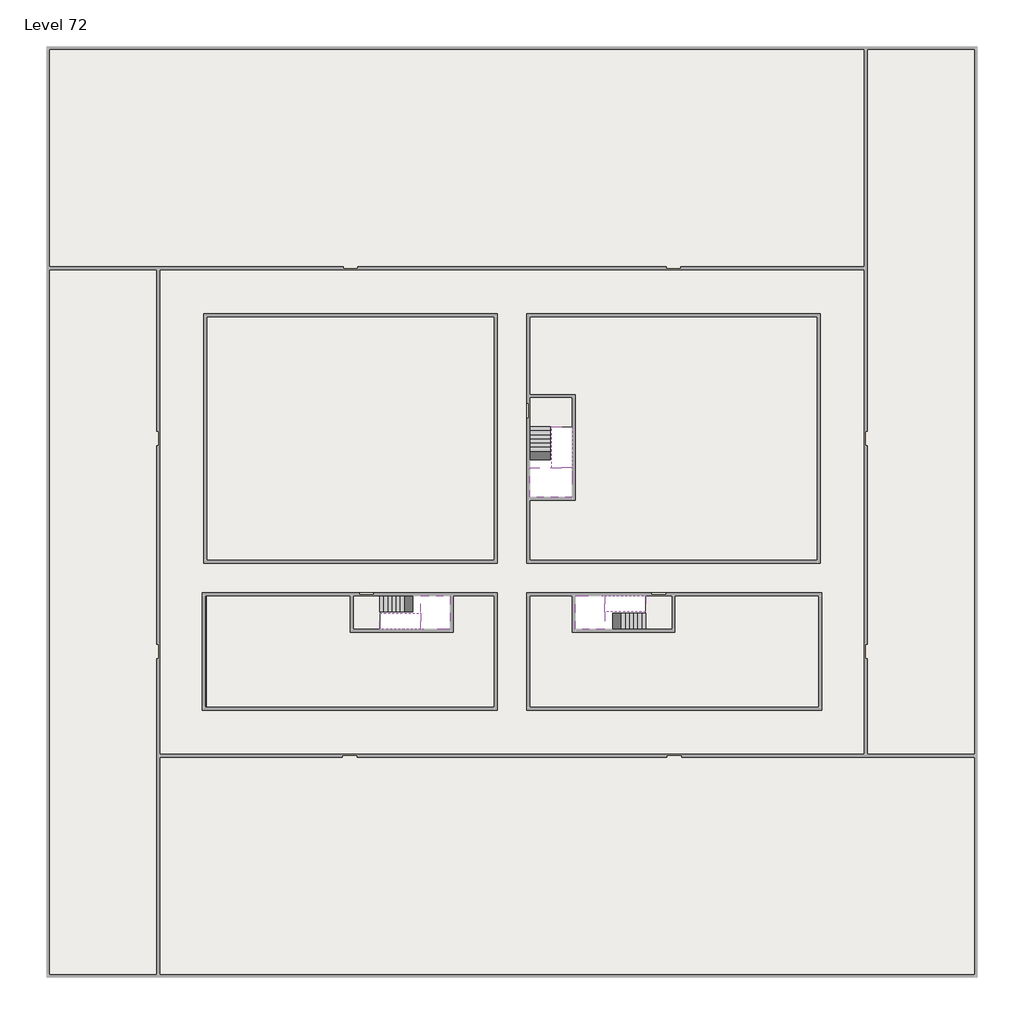
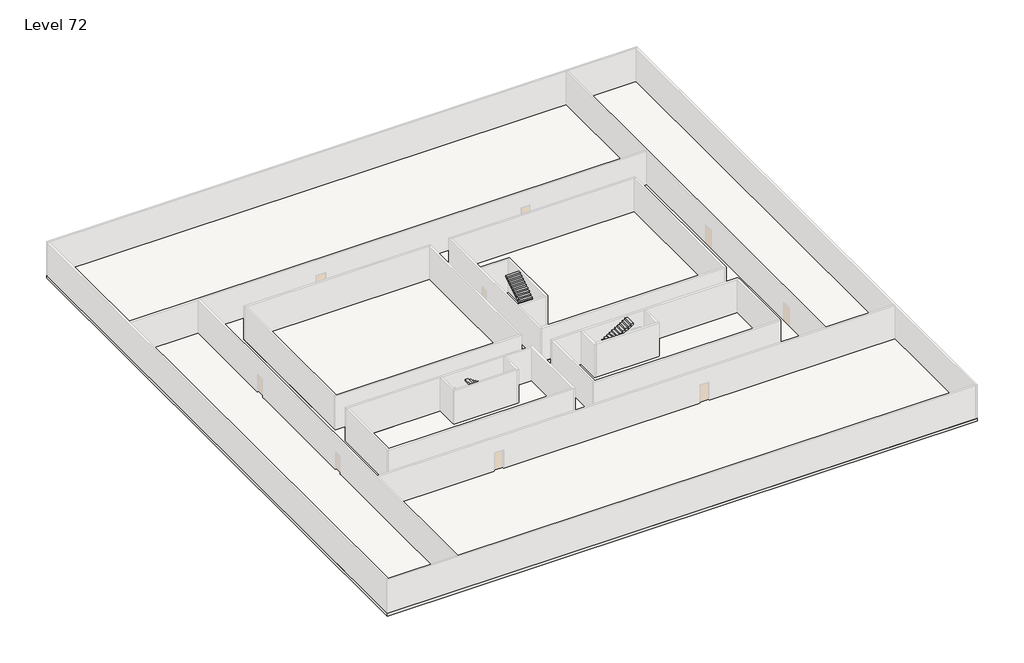
# One storey, part 2 of 2: 6 slabs, 6 stair flights.
"""IFC4 building model written with IfcOpenShell, lengths in millimetres."""

import ifcopenshell
import ifcopenshell.guid

model = None  # the IFC model being written
_history = None  # IfcOwnerHistory: only IFC2X3 demands one
_inside = {}  # id of a spatial element -> (the spatial element, [elements in it])
_under = {}  # id of a project, library or spatial element -> (it, [spatial elements below it])
_declared = {}  # id of a project -> (the project, [libraries it declares])
_typed = {}  # id of a type object -> (the type object, [elements of that type])
_made_of = {}  # id of a material, layer set ... -> (it, [elements and type objects made of it])


def new_model(schema):
    """Start an empty IFC model of exactly this schema.

    Asked for "IFC4X3", IfcOpenShell would pick the latest addendum, in which some entities
    have other attributes; the version numbers below select the first issue.
    IFC2X3 requires an IfcOwnerHistory on every rooted entity: one is made here for all.
    """
    global model, _history
    if schema == "IFC4X3":
        model = ifcopenshell.file(schema_version=(4, 3, 0, 0))
    else:
        model = ifcopenshell.file(schema=schema)
    _inside.clear()
    _under.clear()
    _declared.clear()
    _typed.clear()
    _made_of.clear()
    _history = None
    if model.schema == "IFC2X3":
        org = make("IfcOrganization", Name="unknown")
        user = make(
            "IfcPersonAndOrganization",
            ThePerson=make("IfcPerson", FamilyName="unknown"),
            TheOrganization=org,
        )
        app = make(
            "IfcApplication",
            ApplicationDeveloper=org,
            Version="unknown",
            ApplicationFullName="unknown",
            ApplicationIdentifier="unknown",
        )
        _history = make(
            "IfcOwnerHistory",
            OwningUser=user,
            OwningApplication=app,
            ChangeAction="ADDED",
            CreationDate=0,
        )
    return model


def make(cls, **values):
    """One entity of the class cls with the attributes given. An attribute that is None is left unset."""
    return model.create_entity(
        cls, **{name: value for name, value in values.items() if value is not None}
    )


def rooted(cls, **values):
    """An entity with a GlobalId (a new one), such as an element, a storey or a relation."""
    return make(cls, GlobalId=ifcopenshell.guid.new(), OwnerHistory=_history, **values)


def si_unit(unit_type, name, prefix=None):
    """IfcSIUnit, for example si_unit("LENGTHUNIT", "METRE", prefix="MILLI")."""
    return make("IfcSIUnit", UnitType=unit_type, Prefix=prefix, Name=name)


def assignment(units):
    """IfcUnitAssignment: the units of a project."""
    return None if units is None else make("IfcUnitAssignment", Units=units)


def point(xyz):
    """IfcCartesianPoint."""
    return None if xyz is None else make("IfcCartesianPoint", Coordinates=xyz)


def direction(xyz):
    """IfcDirection."""
    return None if xyz is None else make("IfcDirection", DirectionRatios=xyz)


def frame(location, z_axis=None, x_axis=None):
    """IfcAxis2Placement3D, a coordinate frame: its origin and axes. An axis left out is left unset."""
    return make(
        "IfcAxis2Placement3D",
        Location=point(location),
        Axis=direction(z_axis),
        RefDirection=direction(x_axis),
    )


def origin():
    """The frame at (0, 0, 0) with its axes left unset."""
    return frame((0.0, 0.0, 0.0))


def place(relative_to, where):
    """IfcLocalPlacement: puts the frame where relative to a parent placement (None: the world)."""
    return make(
        "IfcLocalPlacement", PlacementRelTo=relative_to, RelativePlacement=where
    )


def context(
    kind, dimensions, precision=None, world=None, true_north=None, identifier=None
):
    """IfcGeometricRepresentationContext, for example the 3D "Model" context."""
    return make(
        "IfcGeometricRepresentationContext",
        ContextIdentifier=identifier,
        ContextType=kind,
        CoordinateSpaceDimension=dimensions,
        Precision=precision,
        WorldCoordinateSystem=world,
        TrueNorth=true_north,
    )


def project(units=None, contexts=None):
    """IfcProject with its units and contexts."""
    return rooted(
        "IfcProject",
        Name="project",
        RepresentationContexts=contexts,
        UnitsInContext=assignment(units),
    )


def spatial(cls, under=None, at=None, **own):
    """A site, building, storey or space (cls), placed at a placement, below another one or the project."""
    s = rooted(cls, ObjectPlacement=at, **own)
    if under is not None:
        _under.setdefault(under.id(), (under, []))[1].append(s)
    return s


def polyline(points):
    """IfcPolyline through the points."""
    return make("IfcPolyline", Points=[point(p) for p in points])


def outline(outer, holes=None, kind="AREA"):
    """IfcArbitraryClosedProfileDef: a profile drawn as a closed curve; with holes, ...WithVoids."""
    if holes is None:
        return make("IfcArbitraryClosedProfileDef", ProfileType=kind, OuterCurve=outer)
    return make(
        "IfcArbitraryProfileDefWithVoids",
        ProfileType=kind,
        OuterCurve=outer,
        InnerCurves=holes,
    )


def extrude(swept, where, along, depth):
    """IfcExtrudedAreaSolid: the profile swept, set in the frame where, extruded along a direction by depth."""
    return make(
        "IfcExtrudedAreaSolid",
        SweptArea=swept,
        Position=where,
        ExtrudedDirection=direction(along),
        Depth=depth,
    )


def faces_of(points, faces, orient=None, outer=None):
    """IfcFace entities. A face is a list of loops; a loop is a list of indices into points, from 0.

    orient and outer hold one flag for each loop. By default every Orientation is true, the
    first loop of a face is its IfcFaceOuterBound and the others are IfcFaceBound.
    """
    made = []
    for i, loops in enumerate(faces):
        bounds = []
        for j, loop in enumerate(loops):
            is_outer = j == 0 if outer is None else outer[i][j]
            bounds.append(
                make(
                    "IfcFaceOuterBound" if is_outer else "IfcFaceBound",
                    Bound=make("IfcPolyLoop", Polygon=[points[k] for k in loop]),
                    Orientation=True if orient is None else orient[i][j],
                )
            )
        made.append(make("IfcFace", Bounds=bounds))
    return made


def faceted_brep(points, faces, orient=None, outer=None, voids=None):
    """IfcFacetedBrep: a solid bounded by flat faces; with voids (closed shells), ...WithVoids."""
    shared = [point(p) for p in points]
    hull = make("IfcClosedShell", CfsFaces=faces_of(shared, faces, orient, outer))
    if voids is None:
        return make("IfcFacetedBrep", Outer=hull)
    return make(
        "IfcFacetedBrepWithVoids",
        Outer=hull,
        Voids=[
            make(cls, CfsFaces=faces_of(shared, fs, o, b)) for cls, fs, o, b in voids
        ],
    )


def shape(context_of_items, identifier, shape_type, items):
    """IfcShapeRepresentation: the items that make up one representation, for example the "Body"."""
    return make(
        "IfcShapeRepresentation",
        ContextOfItems=context_of_items,
        RepresentationIdentifier=identifier,
        RepresentationType=shape_type,
        Items=items,
    )


def made_of(thing, what):
    """Note that an element or type object is made of a material, layer set ...; save() writes the relation."""
    if what is not None:
        _made_of.setdefault(what.id(), (what, []))[1].append(thing)
    return thing


def element(
    cls,
    number,
    at=None,
    inside=None,
    cuts=None,
    type_object=None,
    material=None,
    context=None,
    identifier="Body",
    shape_type=None,
    held_by="IfcProductDefinitionShape",
    body=None,
    shapes=None,
    **own,
):
    """One element of the class cls, such as IfcWall. Its Tag is "e" and its number.

    at: its placement. inside: the storey or other place that contains it. cuts: it is an
    opening in that element (IfcRelVoidsElement). A single representation is given by context,
    identifier, shape_type and body (its items); several are given by shapes. held_by: the class
    of the entity that holds the representations. save() writes the other relations.
    """
    e = rooted(cls, Tag="e%d" % number, ObjectPlacement=at, **own)
    if body is not None:
        shapes = [shape(context, identifier, shape_type, body)]
    if shapes is not None:
        e.Representation = make(held_by, Representations=shapes)
    if inside is not None:
        _inside.setdefault(inside.id(), (inside, []))[1].append(e)
    if cuts is not None:
        rooted(
            "IfcRelVoidsElement", RelatingBuildingElement=cuts, RelatedOpeningElement=e
        )
    if type_object is not None:
        _typed.setdefault(type_object.id(), (type_object, []))[1].append(e)
    return made_of(e, material)


def aggregate(whole, parts):
    """IfcRelAggregates: a whole, such as a stair, and the parts it consists of."""
    return rooted("IfcRelAggregates", RelatingObject=whole, RelatedObjects=parts)


def save(model, path):
    """Write the relations noted so far, then the file.

    IfcRelAggregates (storeys below a building ...), IfcRelContainedInSpatialStructure (elements
    in a storey), IfcRelDefinesByType, IfcRelAssociatesMaterial and IfcRelDeclares: one each for
    every whole, place, type object, material and project.
    """
    for whole, parts in _under.values():
        aggregate(whole, parts)
    for where, things in _inside.values():
        rooted(
            "IfcRelContainedInSpatialStructure",
            RelatedElements=things,
            RelatingStructure=where,
        )
    for kind, things in _typed.values():
        rooted("IfcRelDefinesByType", RelatedObjects=things, RelatingType=kind)
    for what, things in _made_of.values():
        rooted("IfcRelAssociatesMaterial", RelatedObjects=things, RelatingMaterial=what)
    for by, libraries in _declared.values():
        rooted("IfcRelDeclares", RelatingContext=by, RelatedDefinitions=libraries)
    model.write(path)


model = new_model("IFC4")

# Units and contexts
model_context = context("Model", 3, world=origin())
ifc_project = project(units=[si_unit("LENGTHUNIT", "METRE", prefix="MILLI")], contexts=[model_context])

# Site, building, storey
site = spatial("IfcSite", under=ifc_project)
building = spatial("IfcBuilding", under=site)
storey = spatial("IfcBuildingStorey", under=building, Name="Level 72", Elevation=269800.0)

# Slabs
placement = place(None, origin())
element("IfcSlab", 1, at=placement, inside=storey, context=model_context, shape_type="SweptSolid", body=[
    extrude(outline(polyline([(55890.1058784, -5518.09644), (55890.1058784, -68918.09644), (-7509.8941216, -68918.09644), (-7509.8941216, -5518.09644), (55890.1058784, -5518.09644)]), holes=[polyline([(23190.1058784, -23718.09644), (3190.1058784, -23718.09644), (3190.1058784, -40718.09644), (23190.1058784, -40718.09644), (23190.1058784, -23718.09644)]), polyline([(45190.1058784, -23718.09644), (25190.1058784, -23718.09644), (25190.1058784, -40718.09644), (45190.1058784, -40718.09644), (45190.1058784, -23718.09644)]), polyline([(23190.1058784, -50718.09644), (23190.1058784, -42718.09644), (3390.1058784, -42718.09644), (3390.1058784, -50718.09644), (23190.1058784, -50718.09644)]), polyline([(25190.1058784, -50718.09644), (45190.1058784, -50718.09644), (45190.1058784, -42718.09644), (25190.1058784, -42718.09644), (25190.1058784, -50718.09644)])]), frame((0.0, 0.0, 269500.0), z_axis=(0.0, 0.0, 1.0), x_axis=(1.0, 0.0, 0.0)), (0.0, 0.0, 1.0), 300.0),
])
element("IfcSlab", 2, at=placement, inside=storey, context=model_context, shape_type="Brep", body=[
    faceted_brep([(26790.1058784, -34218.09644, 271700.0), (25390.1058784, -34218.09644, 271700.0), (25390.1058784, -34297.4828763, 271700.0), (25390.1058784, -36218.09644, 271700.0), (28290.1058784, -36218.09644, 271700.0), (28290.1058784, -34418.7100038, 271700.0), (28290.1058784, -34218.09644, 271700.0), (26890.1058784, -34218.09644, 271700.0), (26790.1058784, -34218.09644, 271400.0), (26790.1058784, -34218.09644, 271351.0278478), (25390.1058784, -34218.09644, 271351.0278478), (25390.1058784, -34218.09644, 271527.2727273), (25390.1058784, -34297.4828763, 271400.0), (25390.1058784, -36218.09644, 271400.0), (28290.1058784, -36218.09644, 271400.0), (28290.1058784, -34418.7100038, 271400.0), (28290.1058784, -34218.09644, 271523.7551205), (26890.1058784, -34218.09644, 271523.7551205), (26890.1058784, -34218.09644, 271400.0), (26890.1058784, -34418.7100038, 271400.0), (26790.1058784, -34297.4828763, 271400.0)], [[[0, 1, 2, 3, 4, 5, 6, 7]], [[1, 0, 8, 9, 10, 11]], [[1, 11, 10, 12, 13, 3, 2]], [[4, 3, 13, 14]], [[4, 14, 15, 16, 6, 5]], [[7, 6, 16, 17]], [[0, 7, 17, 18, 8]], [[18, 19, 15, 14, 13, 12, 20, 8]], [[19, 18, 17]], [[20, 12, 10, 9]], [[8, 20, 9]], [[15, 19, 17, 16]]]),
])
element("IfcSlab", 3, at=placement, inside=storey, context=model_context, shape_type="SweptSolid", body=[
    extrude(outline(polyline([(22990.1058784, -23918.09644), (22990.1058784, -40518.09644), (3390.1058784, -40518.09644), (3390.1058784, -23918.09644), (22990.1058784, -23918.09644)])), frame((0.0, 0.0, 269500.0), z_axis=(0.0, 0.0, 1.0), x_axis=(1.0, 0.0, 0.0)), (0.0, 0.0, 1.0), 300.0),
    extrude(outline(polyline([(44990.1058784, -23918.09644), (44990.1058784, -40518.09644), (25390.1058784, -40518.09644), (25390.1058784, -36418.09644), (28490.1058784, -36418.09644), (28490.1058784, -29218.09644), (25390.1058784, -29218.09644), (25390.1058784, -23918.09644), (44990.1058784, -23918.09644)])), frame((0.0, 0.0, 269500.0), z_axis=(0.0, 0.0, 1.0), x_axis=(1.0, 0.0, 0.0)), (0.0, 0.0, 1.0), 300.0),
    extrude(outline(polyline([(22990.1058784, -42918.09644), (22990.1058784, -50518.09644), (3390.1058784, -50518.09644), (3390.1058784, -42918.09644), (13190.1058784, -42918.09644), (13190.1058784, -45418.09644), (20190.1058784, -45418.09644), (20190.1058784, -42918.09644), (22990.1058784, -42918.09644)])), frame((0.0, 0.0, 269500.0), z_axis=(0.0, 0.0, 1.0), x_axis=(1.0, 0.0, 0.0)), (0.0, 0.0, 1.0), 300.0),
    extrude(outline(polyline([(28290.1058784, -42918.09644), (28290.1058784, -45418.09644), (35290.1058784, -45418.09644), (35290.1058784, -42918.09644), (45090.1058784, -42918.09644), (45090.1058784, -50518.09644), (25390.1058784, -50518.09644), (25390.1058784, -42918.09644), (28290.1058784, -42918.09644)])), frame((0.0, 0.0, 269500.0), z_axis=(0.0, 0.0, 1.0), x_axis=(1.0, 0.0, 0.0)), (0.0, 0.0, 1.0), 300.0),
])
element("IfcSlab", 4, at=placement, inside=storey, context=model_context, shape_type="Brep", body=[
    faceted_brep([(30490.1058784, -45218.09644, 271700.0), (30490.1058784, -44118.09644, 271700.0), (30490.1058784, -44018.09644, 271700.0), (30490.1058784, -42918.09644, 271700.0), (30289.4923146, -42918.09644, 271700.0), (28490.1058784, -42918.09644, 271700.0), (28490.1058784, -45218.09644, 271700.0), (30410.7194421, -45218.09644, 271700.0), (30490.1058784, -45218.09644, 271527.2727273), (30490.1058784, -45218.09644, 271351.0278478), (30490.1058784, -44118.09644, 271351.0278478), (30490.1058784, -44118.09644, 271400.0), (30490.1058784, -44018.09644, 271400.0), (30490.1058784, -44018.09644, 271523.7551205), (30490.1058784, -42918.09644, 271523.7551205), (30289.4923146, -42918.09644, 271400.0), (28490.1058784, -42918.09644, 271400.0), (28490.1058784, -45218.09644, 271400.0), (30410.7194421, -45218.09644, 271400.0), (30289.4923146, -44018.09644, 271400.0), (30410.7194421, -44118.09644, 271400.0)], [[[0, 1, 2, 3, 4, 5, 6, 7]], [[1, 0, 8, 9, 10, 11]], [[2, 1, 11, 12, 13]], [[3, 2, 13, 14]], [[3, 14, 15, 16, 5, 4]], [[6, 5, 16, 17]], [[9, 8, 0, 7, 6, 17, 18]], [[19, 12, 11, 20, 18, 17, 16, 15]], [[12, 19, 13]], [[18, 20, 10, 9]], [[20, 11, 10]], [[19, 15, 14, 13]]]),
])
element("IfcSlab", 5, at=placement, inside=storey, context=model_context, shape_type="Brep", body=[
    faceted_brep([(17990.1058784, -42918.09644, 271700.0), (17990.1058784, -44018.09644, 271700.0), (17990.1058784, -44118.09644, 271700.0), (17990.1058784, -45218.09644, 271700.0), (18190.7194421, -45218.09644, 271700.0), (19990.1058784, -45218.09644, 271700.0), (19990.1058784, -42918.09644, 271700.0), (18069.4923146, -42918.09644, 271700.0), (17990.1058784, -42918.09644, 271527.2727273), (17990.1058784, -42918.09644, 271351.0278478), (17990.1058784, -44018.09644, 271351.0278478), (17990.1058784, -44018.09644, 271400.0), (17990.1058784, -44118.09644, 271400.0), (17990.1058784, -44118.09644, 271523.7551205), (17990.1058784, -45218.09644, 271523.7551205), (18190.7194421, -45218.09644, 271400.0), (19990.1058784, -45218.09644, 271400.0), (19990.1058784, -42918.09644, 271400.0), (18069.4923146, -42918.09644, 271400.0), (18190.7194421, -44118.09644, 271400.0), (18069.4923146, -44018.09644, 271400.0)], [[[0, 1, 2, 3, 4, 5, 6, 7]], [[1, 0, 8, 9, 10, 11]], [[2, 1, 11, 12, 13]], [[3, 2, 13, 14]], [[3, 14, 15, 16, 5, 4]], [[6, 5, 16, 17]], [[9, 8, 0, 7, 6, 17, 18]], [[19, 12, 11, 20, 18, 17, 16, 15]], [[12, 19, 13]], [[18, 20, 10, 9]], [[20, 11, 10]], [[19, 15, 14, 13]]]),
])
element("IfcSlab", 6, at=placement, inside=storey, context=model_context, shape_type="SweptSolid", body=[
    extrude(outline(polyline([(25190.1058784, -29418.09644), (28290.1058784, -29418.09644), (28290.1058784, -31418.09644), (25190.1058784, -31418.09644), (25190.1058784, -29418.09644)])), frame((0.0, 0.0, 269500.0), z_axis=(0.0, 0.0, 1.0), x_axis=(1.0, 0.0, 0.0)), (0.0, 0.0, 1.0), 300.0),
    extrude(outline(polyline([(15190.1058784, -45218.09644), (13390.1058784, -45218.09644), (13390.1058784, -42718.09644), (15190.1058784, -42718.09644), (15190.1058784, -45218.09644)])), frame((0.0, 0.0, 269500.0), z_axis=(0.0, 0.0, 1.0), x_axis=(1.0, 0.0, 0.0)), (0.0, 0.0, 1.0), 300.0),
    extrude(outline(polyline([(35090.1058784, -45218.09644), (33290.1058784, -45218.09644), (33290.1058784, -42718.09644), (35090.1058784, -42718.09644), (35090.1058784, -45218.09644)])), frame((0.0, 0.0, 269500.0), z_axis=(0.0, 0.0, 1.0), x_axis=(1.0, 0.0, 0.0)), (0.0, 0.0, 1.0), 300.0),
])

# Stair flights
element("IfcStairFlight", 7, at=placement, inside=storey, context=model_context, shape_type="Brep", body=[
    faceted_brep([(26790.1058784, -31698.09644, 269972.7272727), (26790.1058784, -31418.09644, 269972.7272727), (25390.1058784, -31418.09644, 269972.7272727), (25390.1058784, -31698.09644, 269972.7272727), (26790.1058784, -31698.09644, 269800.0), (26790.1058784, -31418.09644, 269800.0), (25390.1058784, -31418.09644, 269800.0), (25390.1058784, -31698.09644, 269800.0), (26790.1058784, -31978.09644, 270145.4545455), (26790.1058784, -31698.09644, 270145.4545455), (25390.1058784, -31698.09644, 270145.4545455), (25390.1058784, -31978.09644, 270145.4545455), (26790.1058784, -31978.09644, 269969.209666), (26790.1058784, -31703.7986657, 269800.0), (25390.1058784, -31703.7986657, 269800.0), (25390.1058784, -31978.09644, 269969.209666), (26790.1058784, -32258.09644, 270318.1818182), (26790.1058784, -31978.09644, 270318.1818182), (25390.1058784, -31978.09644, 270318.1818182), (25390.1058784, -32258.09644, 270318.1818182), (26790.1058784, -32258.09644, 270141.9369387), (25390.1058784, -32258.09644, 270141.9369387), (26790.1058784, -32538.09644, 270490.9090909), (26790.1058784, -32258.09644, 270490.9090909), (25390.1058784, -32258.09644, 270490.9090909), (25390.1058784, -32538.09644, 270490.9090909), (26790.1058784, -32538.09644, 270314.6642114), (25390.1058784, -32538.09644, 270314.6642114), (26790.1058784, -32818.09644, 270663.6363636), (26790.1058784, -32538.09644, 270663.6363636), (25390.1058784, -32538.09644, 270663.6363636), (25390.1058784, -32818.09644, 270663.6363636), (26790.1058784, -32818.09644, 270487.3914841), (25390.1058784, -32818.09644, 270487.3914841), (26790.1058784, -33098.09644, 270836.3636364), (26790.1058784, -32818.09644, 270836.3636364), (25390.1058784, -32818.09644, 270836.3636364), (25390.1058784, -33098.09644, 270836.3636364), (26790.1058784, -33098.09644, 270660.1187569), (25390.1058784, -33098.09644, 270660.1187569), (26790.1058784, -33378.09644, 271009.0909091), (26790.1058784, -33098.09644, 271009.0909091), (25390.1058784, -33098.09644, 271009.0909091), (25390.1058784, -33378.09644, 271009.0909091), (26790.1058784, -33378.09644, 270832.8460296), (25390.1058784, -33378.09644, 270832.8460296), (26790.1058784, -33658.09644, 271181.8181818), (26790.1058784, -33378.09644, 271181.8181818), (25390.1058784, -33378.09644, 271181.8181818), (25390.1058784, -33658.09644, 271181.8181818), (26790.1058784, -33658.09644, 271005.5733023), (25390.1058784, -33658.09644, 271005.5733023), (26790.1058784, -33938.09644, 271354.5454545), (26790.1058784, -33658.09644, 271354.5454545), (25390.1058784, -33658.09644, 271354.5454545), (25390.1058784, -33938.09644, 271354.5454545), (26790.1058784, -33938.09644, 271178.3005751), (25390.1058784, -33938.09644, 271178.3005751), (26790.1058784, -34218.09644, 271527.2727273), (26790.1058784, -33938.09644, 271527.2727273), (25390.1058784, -33938.09644, 271527.2727273), (25390.1058784, -34218.09644, 271527.2727273), (26790.1058784, -34218.09644, 271400.0), (26790.1058784, -34218.09644, 271351.0278478), (25390.1058784, -34218.09644, 271351.0278478)], [[[0, 1, 2, 3]], [[1, 0, 4, 5]], [[2, 1, 5, 6]], [[3, 2, 6, 7]], [[8, 9, 10, 11]], [[4, 0, 9, 8, 12, 13]], [[0, 3, 10, 9]], [[3, 7, 14, 15, 11, 10]], [[16, 17, 18, 19]], [[17, 16, 20, 12, 8]], [[8, 11, 18, 17]], [[19, 18, 11, 15, 21]], [[22, 23, 24, 25]], [[23, 22, 26, 20, 16]], [[16, 19, 24, 23]], [[25, 24, 19, 21, 27]], [[28, 29, 30, 31]], [[29, 28, 32, 26, 22]], [[22, 25, 30, 29]], [[31, 30, 25, 27, 33]], [[34, 35, 36, 37]], [[35, 34, 38, 32, 28]], [[28, 31, 36, 35]], [[37, 36, 31, 33, 39]], [[40, 41, 42, 43]], [[41, 40, 44, 38, 34]], [[34, 37, 42, 41]], [[43, 42, 37, 39, 45]], [[46, 47, 48, 49]], [[47, 46, 50, 44, 40]], [[40, 43, 48, 47]], [[49, 48, 43, 45, 51]], [[52, 53, 54, 55]], [[53, 52, 56, 50, 46]], [[46, 49, 54, 53]], [[55, 54, 49, 51, 57]], [[58, 59, 60, 61]], [[59, 58, 62, 63, 56, 52]], [[52, 55, 60, 59]], [[61, 60, 55, 57, 64]], [[58, 61, 64, 63, 62]], [[5, 4, 13, 14, 7, 6]], [[14, 13, 12, 20, 26, 32, 38, 44, 50, 56, 63, 64, 57, 51, 45, 39, 33, 27, 21, 15]]]),
])
element("IfcStairFlight", 8, at=placement, inside=storey, context=model_context, shape_type="Brep", body=[
    faceted_brep([(26890.1058784, -33938.09644, 271872.7272727), (26890.1058784, -34218.09644, 271872.7272727), (28290.1058784, -34218.09644, 271872.7272727), (28290.1058784, -33938.09644, 271872.7272727), (26890.1058784, -33938.09644, 271696.4823932), (26890.1058784, -34218.09644, 271523.7551205), (28290.1058784, -34218.09644, 271523.7551205), (28290.1058784, -34218.09644, 271700.0), (28290.1058784, -33938.09644, 271696.4823932), (26890.1058784, -33658.09644, 272045.4545455), (26890.1058784, -33938.09644, 272045.4545455), (28290.1058784, -33938.09644, 272045.4545455), (28290.1058784, -33658.09644, 272045.4545455), (26890.1058784, -33658.09644, 271869.209666), (28290.1058784, -33658.09644, 271869.209666), (26890.1058784, -33378.09644, 272218.1818182), (26890.1058784, -33658.09644, 272218.1818182), (28290.1058784, -33658.09644, 272218.1818182), (28290.1058784, -33378.09644, 272218.1818182), (26890.1058784, -33378.09644, 272041.9369387), (28290.1058784, -33378.09644, 272041.9369387), (26890.1058784, -33098.09644, 272390.9090909), (26890.1058784, -33378.09644, 272390.9090909), (28290.1058784, -33378.09644, 272390.9090909), (28290.1058784, -33098.09644, 272390.9090909), (26890.1058784, -33098.09644, 272214.6642114), (28290.1058784, -33098.09644, 272214.6642114), (26890.1058784, -32818.09644, 272563.6363636), (26890.1058784, -33098.09644, 272563.6363636), (28290.1058784, -33098.09644, 272563.6363636), (28290.1058784, -32818.09644, 272563.6363636), (26890.1058784, -32818.09644, 272387.3914841), (28290.1058784, -32818.09644, 272387.3914841), (26890.1058784, -32538.09644, 272736.3636364), (26890.1058784, -32818.09644, 272736.3636364), (28290.1058784, -32818.09644, 272736.3636364), (28290.1058784, -32538.09644, 272736.3636364), (26890.1058784, -32538.09644, 272560.1187569), (28290.1058784, -32538.09644, 272560.1187569), (26890.1058784, -32258.09644, 272909.0909091), (26890.1058784, -32538.09644, 272909.0909091), (28290.1058784, -32538.09644, 272909.0909091), (28290.1058784, -32258.09644, 272909.0909091), (26890.1058784, -32258.09644, 272732.8460296), (28290.1058784, -32258.09644, 272732.8460296), (26890.1058784, -31978.09644, 273081.8181818), (26890.1058784, -32258.09644, 273081.8181818), (28290.1058784, -32258.09644, 273081.8181818), (28290.1058784, -31978.09644, 273081.8181818), (26890.1058784, -31978.09644, 272905.5733023), (28290.1058784, -31978.09644, 272905.5733023), (26890.1058784, -31698.09644, 273254.5454545), (26890.1058784, -31978.09644, 273254.5454545), (28290.1058784, -31978.09644, 273254.5454545), (28290.1058784, -31698.09644, 273254.5454545), (26890.1058784, -31698.09644, 273078.3005751), (28290.1058784, -31698.09644, 273078.3005751), (26890.1058784, -31418.09644, 273427.2727273), (26890.1058784, -31698.09644, 273427.2727273), (28290.1058784, -31698.09644, 273427.2727273), (28290.1058784, -31418.09644, 273427.2727273), (26890.1058784, -31418.09644, 273251.0278478), (28290.1058784, -31418.09644, 273251.0278478)], [[[0, 1, 2, 3]], [[1, 0, 4, 5]], [[2, 1, 5, 6, 7]], [[3, 2, 7, 6, 8]], [[9, 10, 11, 12]], [[10, 9, 13, 4, 0]], [[11, 10, 0, 3]], [[12, 11, 3, 8, 14]], [[15, 16, 17, 18]], [[16, 15, 19, 13, 9]], [[17, 16, 9, 12]], [[18, 17, 12, 14, 20]], [[21, 22, 23, 24]], [[22, 21, 25, 19, 15]], [[23, 22, 15, 18]], [[24, 23, 18, 20, 26]], [[27, 28, 29, 30]], [[28, 27, 31, 25, 21]], [[29, 28, 21, 24]], [[30, 29, 24, 26, 32]], [[33, 34, 35, 36]], [[34, 33, 37, 31, 27]], [[35, 34, 27, 30]], [[36, 35, 30, 32, 38]], [[39, 40, 41, 42]], [[40, 39, 43, 37, 33]], [[41, 40, 33, 36]], [[42, 41, 36, 38, 44]], [[45, 46, 47, 48]], [[46, 45, 49, 43, 39]], [[47, 46, 39, 42]], [[48, 47, 42, 44, 50]], [[51, 52, 53, 54]], [[52, 51, 55, 49, 45]], [[53, 52, 45, 48]], [[54, 53, 48, 50, 56]], [[57, 58, 59, 60]], [[58, 57, 61, 55, 51]], [[59, 58, 51, 54]], [[60, 59, 54, 56, 62]], [[57, 60, 62, 61]], [[5, 4, 13, 19, 25, 31, 37, 43, 49, 55, 61, 62, 56, 50, 44, 38, 32, 26, 20, 14, 8, 6]]]),
])
element("IfcStairFlight", 9, at=placement, inside=storey, context=model_context, shape_type="Brep", body=[
    faceted_brep([(33010.1058784, -45218.09644, 269972.7272727), (33290.1058784, -45218.09644, 269972.7272727), (33290.1058784, -44118.09644, 269972.7272727), (33010.1058784, -44118.09644, 269972.7272727), (33010.1058784, -45218.09644, 269800.0), (33290.1058784, -45218.09644, 269800.0), (33290.1058784, -44118.09644, 269800.0), (33010.1058784, -44118.09644, 269800.0), (32730.1058784, -45218.09644, 270145.4545455), (33010.1058784, -45218.09644, 270145.4545455), (33010.1058784, -44118.09644, 270145.4545455), (32730.1058784, -44118.09644, 270145.4545455), (32730.1058784, -45218.09644, 269969.209666), (33004.4036527, -45218.09644, 269800.0), (33004.4036527, -44118.09644, 269800.0), (32730.1058784, -44118.09644, 269969.209666), (32450.1058784, -45218.09644, 270318.1818182), (32730.1058784, -45218.09644, 270318.1818182), (32730.1058784, -44118.09644, 270318.1818182), (32450.1058784, -44118.09644, 270318.1818182), (32450.1058784, -45218.09644, 270141.9369387), (32450.1058784, -44118.09644, 270141.9369387), (32170.1058784, -45218.09644, 270490.9090909), (32450.1058784, -45218.09644, 270490.9090909), (32450.1058784, -44118.09644, 270490.9090909), (32170.1058784, -44118.09644, 270490.9090909), (32170.1058784, -45218.09644, 270314.6642114), (32170.1058784, -44118.09644, 270314.6642114), (31890.1058784, -45218.09644, 270663.6363636), (32170.1058784, -45218.09644, 270663.6363636), (32170.1058784, -44118.09644, 270663.6363636), (31890.1058784, -44118.09644, 270663.6363636), (31890.1058784, -45218.09644, 270487.3914841), (31890.1058784, -44118.09644, 270487.3914841), (31610.1058784, -45218.09644, 270836.3636364), (31890.1058784, -45218.09644, 270836.3636364), (31890.1058784, -44118.09644, 270836.3636364), (31610.1058784, -44118.09644, 270836.3636364), (31610.1058784, -45218.09644, 270660.1187569), (31610.1058784, -44118.09644, 270660.1187569), (31330.1058784, -45218.09644, 271009.0909091), (31610.1058784, -45218.09644, 271009.0909091), (31610.1058784, -44118.09644, 271009.0909091), (31330.1058784, -44118.09644, 271009.0909091), (31330.1058784, -45218.09644, 270832.8460296), (31330.1058784, -44118.09644, 270832.8460296), (31050.1058784, -45218.09644, 271181.8181818), (31330.1058784, -45218.09644, 271181.8181818), (31330.1058784, -44118.09644, 271181.8181818), (31050.1058784, -44118.09644, 271181.8181818), (31050.1058784, -45218.09644, 271005.5733023), (31050.1058784, -44118.09644, 271005.5733023), (30770.1058784, -45218.09644, 271354.5454545), (31050.1058784, -45218.09644, 271354.5454545), (31050.1058784, -44118.09644, 271354.5454545), (30770.1058784, -44118.09644, 271354.5454545), (30770.1058784, -45218.09644, 271178.3005751), (30770.1058784, -44118.09644, 271178.3005751), (30490.1058784, -45218.09644, 271527.2727273), (30770.1058784, -45218.09644, 271527.2727273), (30770.1058784, -44118.09644, 271527.2727273), (30490.1058784, -44118.09644, 271527.2727273), (30490.1058784, -45218.09644, 271351.0278478), (30490.1058784, -44118.09644, 271351.0278478), (30490.1058784, -44118.09644, 271400.0)], [[[0, 1, 2, 3]], [[1, 0, 4, 5]], [[2, 1, 5, 6]], [[3, 2, 6, 7]], [[8, 9, 10, 11]], [[4, 0, 9, 8, 12, 13]], [[0, 3, 10, 9]], [[3, 7, 14, 15, 11, 10]], [[16, 17, 18, 19]], [[17, 16, 20, 12, 8]], [[8, 11, 18, 17]], [[19, 18, 11, 15, 21]], [[22, 23, 24, 25]], [[23, 22, 26, 20, 16]], [[16, 19, 24, 23]], [[25, 24, 19, 21, 27]], [[28, 29, 30, 31]], [[29, 28, 32, 26, 22]], [[22, 25, 30, 29]], [[31, 30, 25, 27, 33]], [[34, 35, 36, 37]], [[35, 34, 38, 32, 28]], [[28, 31, 36, 35]], [[37, 36, 31, 33, 39]], [[40, 41, 42, 43]], [[41, 40, 44, 38, 34]], [[34, 37, 42, 41]], [[43, 42, 37, 39, 45]], [[46, 47, 48, 49]], [[47, 46, 50, 44, 40]], [[40, 43, 48, 47]], [[49, 48, 43, 45, 51]], [[52, 53, 54, 55]], [[53, 52, 56, 50, 46]], [[46, 49, 54, 53]], [[55, 54, 49, 51, 57]], [[58, 59, 60, 61]], [[59, 58, 62, 56, 52]], [[52, 55, 60, 59]], [[61, 60, 55, 57, 63, 64]], [[58, 61, 64, 63, 62]], [[5, 4, 13, 14, 7, 6]], [[14, 13, 12, 20, 26, 32, 38, 44, 50, 56, 62, 63, 57, 51, 45, 39, 33, 27, 21, 15]]]),
])
element("IfcStairFlight", 10, at=placement, inside=storey, context=model_context, shape_type="Brep", body=[
    faceted_brep([(30770.1058784, -42918.09644, 271872.7272727), (30490.1058784, -42918.09644, 271872.7272727), (30490.1058784, -44018.09644, 271872.7272727), (30770.1058784, -44018.09644, 271872.7272727), (30770.1058784, -42918.09644, 271696.4823932), (30490.1058784, -42918.09644, 271523.7551205), (30490.1058784, -42918.09644, 271700.0), (30490.1058784, -44018.09644, 271523.7551205), (30770.1058784, -44018.09644, 271696.4823932), (31050.1058784, -42918.09644, 272045.4545455), (30770.1058784, -42918.09644, 272045.4545455), (30770.1058784, -44018.09644, 272045.4545455), (31050.1058784, -44018.09644, 272045.4545455), (31050.1058784, -42918.09644, 271869.209666), (31050.1058784, -44018.09644, 271869.209666), (31330.1058784, -42918.09644, 272218.1818182), (31050.1058784, -42918.09644, 272218.1818182), (31050.1058784, -44018.09644, 272218.1818182), (31330.1058784, -44018.09644, 272218.1818182), (31330.1058784, -42918.09644, 272041.9369387), (31330.1058784, -44018.09644, 272041.9369387), (31610.1058784, -42918.09644, 272390.9090909), (31330.1058784, -42918.09644, 272390.9090909), (31330.1058784, -44018.09644, 272390.9090909), (31610.1058784, -44018.09644, 272390.9090909), (31610.1058784, -42918.09644, 272214.6642114), (31610.1058784, -44018.09644, 272214.6642114), (31890.1058784, -42918.09644, 272563.6363636), (31610.1058784, -42918.09644, 272563.6363636), (31610.1058784, -44018.09644, 272563.6363636), (31890.1058784, -44018.09644, 272563.6363636), (31890.1058784, -42918.09644, 272387.3914841), (31890.1058784, -44018.09644, 272387.3914841), (32170.1058784, -42918.09644, 272736.3636364), (31890.1058784, -42918.09644, 272736.3636364), (31890.1058784, -44018.09644, 272736.3636364), (32170.1058784, -44018.09644, 272736.3636364), (32170.1058784, -42918.09644, 272560.1187569), (32170.1058784, -44018.09644, 272560.1187569), (32450.1058784, -42918.09644, 272909.0909091), (32170.1058784, -42918.09644, 272909.0909091), (32170.1058784, -44018.09644, 272909.0909091), (32450.1058784, -44018.09644, 272909.0909091), (32450.1058784, -42918.09644, 272732.8460296), (32450.1058784, -44018.09644, 272732.8460296), (32730.1058784, -42918.09644, 273081.8181818), (32450.1058784, -42918.09644, 273081.8181818), (32450.1058784, -44018.09644, 273081.8181818), (32730.1058784, -44018.09644, 273081.8181818), (32730.1058784, -42918.09644, 272905.5733023), (32730.1058784, -44018.09644, 272905.5733023), (33010.1058784, -42918.09644, 273254.5454545), (32730.1058784, -42918.09644, 273254.5454545), (32730.1058784, -44018.09644, 273254.5454545), (33010.1058784, -44018.09644, 273254.5454545), (33010.1058784, -42918.09644, 273078.3005751), (33010.1058784, -44018.09644, 273078.3005751), (33290.1058784, -42918.09644, 273427.2727273), (33010.1058784, -42918.09644, 273427.2727273), (33010.1058784, -44018.09644, 273427.2727273), (33290.1058784, -44018.09644, 273427.2727273), (33290.1058784, -42918.09644, 273251.0278478), (33290.1058784, -44018.09644, 273251.0278478)], [[[0, 1, 2, 3]], [[1, 0, 4, 5, 6]], [[2, 1, 6, 5, 7]], [[3, 2, 7, 8]], [[9, 10, 11, 12]], [[10, 9, 13, 4, 0]], [[11, 10, 0, 3]], [[12, 11, 3, 8, 14]], [[15, 16, 17, 18]], [[16, 15, 19, 13, 9]], [[17, 16, 9, 12]], [[18, 17, 12, 14, 20]], [[21, 22, 23, 24]], [[22, 21, 25, 19, 15]], [[23, 22, 15, 18]], [[24, 23, 18, 20, 26]], [[27, 28, 29, 30]], [[28, 27, 31, 25, 21]], [[29, 28, 21, 24]], [[30, 29, 24, 26, 32]], [[33, 34, 35, 36]], [[34, 33, 37, 31, 27]], [[35, 34, 27, 30]], [[36, 35, 30, 32, 38]], [[39, 40, 41, 42]], [[40, 39, 43, 37, 33]], [[41, 40, 33, 36]], [[42, 41, 36, 38, 44]], [[45, 46, 47, 48]], [[46, 45, 49, 43, 39]], [[47, 46, 39, 42]], [[48, 47, 42, 44, 50]], [[51, 52, 53, 54]], [[52, 51, 55, 49, 45]], [[53, 52, 45, 48]], [[54, 53, 48, 50, 56]], [[57, 58, 59, 60]], [[58, 57, 61, 55, 51]], [[59, 58, 51, 54]], [[60, 59, 54, 56, 62]], [[57, 60, 62, 61]], [[5, 4, 13, 19, 25, 31, 37, 43, 49, 55, 61, 62, 56, 50, 44, 38, 32, 26, 20, 14, 8, 7]]]),
])
element("IfcStairFlight", 11, at=placement, inside=storey, context=model_context, shape_type="Brep", body=[
    faceted_brep([(15470.1058784, -42918.09644, 269972.7272727), (15190.1058784, -42918.09644, 269972.7272727), (15190.1058784, -44018.09644, 269972.7272727), (15470.1058784, -44018.09644, 269972.7272727), (15470.1058784, -42918.09644, 269800.0), (15190.1058784, -42918.09644, 269800.0), (15190.1058784, -44018.09644, 269800.0), (15470.1058784, -44018.09644, 269800.0), (15750.1058784, -42918.09644, 270145.4545455), (15470.1058784, -42918.09644, 270145.4545455), (15470.1058784, -44018.09644, 270145.4545455), (15750.1058784, -44018.09644, 270145.4545455), (15750.1058784, -42918.09644, 269969.209666), (15475.8081041, -42918.09644, 269800.0), (15475.8081041, -44018.09644, 269800.0), (15750.1058784, -44018.09644, 269969.209666), (16030.1058784, -42918.09644, 270318.1818182), (15750.1058784, -42918.09644, 270318.1818182), (15750.1058784, -44018.09644, 270318.1818182), (16030.1058784, -44018.09644, 270318.1818182), (16030.1058784, -42918.09644, 270141.9369387), (16030.1058784, -44018.09644, 270141.9369387), (16310.1058784, -42918.09644, 270490.9090909), (16030.1058784, -42918.09644, 270490.9090909), (16030.1058784, -44018.09644, 270490.9090909), (16310.1058784, -44018.09644, 270490.9090909), (16310.1058784, -42918.09644, 270314.6642114), (16310.1058784, -44018.09644, 270314.6642114), (16590.1058784, -42918.09644, 270663.6363636), (16310.1058784, -42918.09644, 270663.6363636), (16310.1058784, -44018.09644, 270663.6363636), (16590.1058784, -44018.09644, 270663.6363636), (16590.1058784, -42918.09644, 270487.3914841), (16590.1058784, -44018.09644, 270487.3914841), (16870.1058784, -42918.09644, 270836.3636364), (16590.1058784, -42918.09644, 270836.3636364), (16590.1058784, -44018.09644, 270836.3636364), (16870.1058784, -44018.09644, 270836.3636364), (16870.1058784, -42918.09644, 270660.1187569), (16870.1058784, -44018.09644, 270660.1187569), (17150.1058784, -42918.09644, 271009.0909091), (16870.1058784, -42918.09644, 271009.0909091), (16870.1058784, -44018.09644, 271009.0909091), (17150.1058784, -44018.09644, 271009.0909091), (17150.1058784, -42918.09644, 270832.8460296), (17150.1058784, -44018.09644, 270832.8460296), (17430.1058784, -42918.09644, 271181.8181818), (17150.1058784, -42918.09644, 271181.8181818), (17150.1058784, -44018.09644, 271181.8181818), (17430.1058784, -44018.09644, 271181.8181818), (17430.1058784, -42918.09644, 271005.5733023), (17430.1058784, -44018.09644, 271005.5733023), (17710.1058784, -42918.09644, 271354.5454545), (17430.1058784, -42918.09644, 271354.5454545), (17430.1058784, -44018.09644, 271354.5454545), (17710.1058784, -44018.09644, 271354.5454545), (17710.1058784, -42918.09644, 271178.3005751), (17710.1058784, -44018.09644, 271178.3005751), (17990.1058784, -42918.09644, 271527.2727273), (17710.1058784, -42918.09644, 271527.2727273), (17710.1058784, -44018.09644, 271527.2727273), (17990.1058784, -44018.09644, 271527.2727273), (17990.1058784, -42918.09644, 271351.0278478), (17990.1058784, -44018.09644, 271351.0278478), (17990.1058784, -44018.09644, 271400.0)], [[[0, 1, 2, 3]], [[1, 0, 4, 5]], [[2, 1, 5, 6]], [[3, 2, 6, 7]], [[8, 9, 10, 11]], [[4, 0, 9, 8, 12, 13]], [[0, 3, 10, 9]], [[3, 7, 14, 15, 11, 10]], [[16, 17, 18, 19]], [[17, 16, 20, 12, 8]], [[8, 11, 18, 17]], [[19, 18, 11, 15, 21]], [[22, 23, 24, 25]], [[23, 22, 26, 20, 16]], [[16, 19, 24, 23]], [[25, 24, 19, 21, 27]], [[28, 29, 30, 31]], [[29, 28, 32, 26, 22]], [[22, 25, 30, 29]], [[31, 30, 25, 27, 33]], [[34, 35, 36, 37]], [[35, 34, 38, 32, 28]], [[28, 31, 36, 35]], [[37, 36, 31, 33, 39]], [[40, 41, 42, 43]], [[41, 40, 44, 38, 34]], [[34, 37, 42, 41]], [[43, 42, 37, 39, 45]], [[46, 47, 48, 49]], [[47, 46, 50, 44, 40]], [[40, 43, 48, 47]], [[49, 48, 43, 45, 51]], [[52, 53, 54, 55]], [[53, 52, 56, 50, 46]], [[46, 49, 54, 53]], [[55, 54, 49, 51, 57]], [[58, 59, 60, 61]], [[59, 58, 62, 56, 52]], [[52, 55, 60, 59]], [[61, 60, 55, 57, 63, 64]], [[58, 61, 64, 63, 62]], [[5, 4, 13, 14, 7, 6]], [[14, 13, 12, 20, 26, 32, 38, 44, 50, 56, 62, 63, 57, 51, 45, 39, 33, 27, 21, 15]]]),
])
element("IfcStairFlight", 12, at=placement, inside=storey, context=model_context, shape_type="Brep", body=[
    faceted_brep([(17710.1058784, -45218.09644, 271872.7272727), (17990.1058784, -45218.09644, 271872.7272727), (17990.1058784, -44118.09644, 271872.7272727), (17710.1058784, -44118.09644, 271872.7272727), (17710.1058784, -45218.09644, 271696.4823932), (17990.1058784, -45218.09644, 271523.7551205), (17990.1058784, -45218.09644, 271700.0), (17990.1058784, -44118.09644, 271523.7551205), (17710.1058784, -44118.09644, 271696.4823932), (17430.1058784, -45218.09644, 272045.4545455), (17710.1058784, -45218.09644, 272045.4545455), (17710.1058784, -44118.09644, 272045.4545455), (17430.1058784, -44118.09644, 272045.4545455), (17430.1058784, -45218.09644, 271869.209666), (17430.1058784, -44118.09644, 271869.209666), (17150.1058784, -45218.09644, 272218.1818182), (17430.1058784, -45218.09644, 272218.1818182), (17430.1058784, -44118.09644, 272218.1818182), (17150.1058784, -44118.09644, 272218.1818182), (17150.1058784, -45218.09644, 272041.9369387), (17150.1058784, -44118.09644, 272041.9369387), (16870.1058784, -45218.09644, 272390.9090909), (17150.1058784, -45218.09644, 272390.9090909), (17150.1058784, -44118.09644, 272390.9090909), (16870.1058784, -44118.09644, 272390.9090909), (16870.1058784, -45218.09644, 272214.6642114), (16870.1058784, -44118.09644, 272214.6642114), (16590.1058784, -45218.09644, 272563.6363636), (16870.1058784, -45218.09644, 272563.6363636), (16870.1058784, -44118.09644, 272563.6363636), (16590.1058784, -44118.09644, 272563.6363636), (16590.1058784, -45218.09644, 272387.3914841), (16590.1058784, -44118.09644, 272387.3914841), (16310.1058784, -45218.09644, 272736.3636364), (16590.1058784, -45218.09644, 272736.3636364), (16590.1058784, -44118.09644, 272736.3636364), (16310.1058784, -44118.09644, 272736.3636364), (16310.1058784, -45218.09644, 272560.1187569), (16310.1058784, -44118.09644, 272560.1187569), (16030.1058784, -45218.09644, 272909.0909091), (16310.1058784, -45218.09644, 272909.0909091), (16310.1058784, -44118.09644, 272909.0909091), (16030.1058784, -44118.09644, 272909.0909091), (16030.1058784, -45218.09644, 272732.8460296), (16030.1058784, -44118.09644, 272732.8460296), (15750.1058784, -45218.09644, 273081.8181818), (16030.1058784, -45218.09644, 273081.8181818), (16030.1058784, -44118.09644, 273081.8181818), (15750.1058784, -44118.09644, 273081.8181818), (15750.1058784, -45218.09644, 272905.5733023), (15750.1058784, -44118.09644, 272905.5733023), (15470.1058784, -45218.09644, 273254.5454545), (15750.1058784, -45218.09644, 273254.5454545), (15750.1058784, -44118.09644, 273254.5454545), (15470.1058784, -44118.09644, 273254.5454545), (15470.1058784, -45218.09644, 273078.3005751), (15470.1058784, -44118.09644, 273078.3005751), (15190.1058784, -45218.09644, 273427.2727273), (15470.1058784, -45218.09644, 273427.2727273), (15470.1058784, -44118.09644, 273427.2727273), (15190.1058784, -44118.09644, 273427.2727273), (15190.1058784, -45218.09644, 273251.0278478), (15190.1058784, -44118.09644, 273251.0278478)], [[[0, 1, 2, 3]], [[1, 0, 4, 5, 6]], [[2, 1, 6, 5, 7]], [[3, 2, 7, 8]], [[9, 10, 11, 12]], [[10, 9, 13, 4, 0]], [[11, 10, 0, 3]], [[12, 11, 3, 8, 14]], [[15, 16, 17, 18]], [[16, 15, 19, 13, 9]], [[17, 16, 9, 12]], [[18, 17, 12, 14, 20]], [[21, 22, 23, 24]], [[22, 21, 25, 19, 15]], [[23, 22, 15, 18]], [[24, 23, 18, 20, 26]], [[27, 28, 29, 30]], [[28, 27, 31, 25, 21]], [[29, 28, 21, 24]], [[30, 29, 24, 26, 32]], [[33, 34, 35, 36]], [[34, 33, 37, 31, 27]], [[35, 34, 27, 30]], [[36, 35, 30, 32, 38]], [[39, 40, 41, 42]], [[40, 39, 43, 37, 33]], [[41, 40, 33, 36]], [[42, 41, 36, 38, 44]], [[45, 46, 47, 48]], [[46, 45, 49, 43, 39]], [[47, 46, 39, 42]], [[48, 47, 42, 44, 50]], [[51, 52, 53, 54]], [[52, 51, 55, 49, 45]], [[53, 52, 45, 48]], [[54, 53, 48, 50, 56]], [[57, 58, 59, 60]], [[58, 57, 61, 55, 51]], [[59, 58, 51, 54]], [[60, 59, 54, 56, 62]], [[57, 60, 62, 61]], [[5, 4, 13, 19, 25, 31, 37, 43, 49, 55, 61, 62, 56, 50, 44, 38, 32, 26, 20, 14, 8, 7]]]),
])

save(model, "model.ifc")
